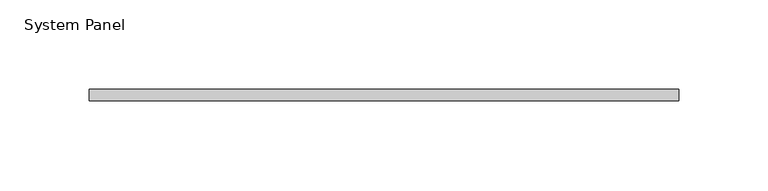
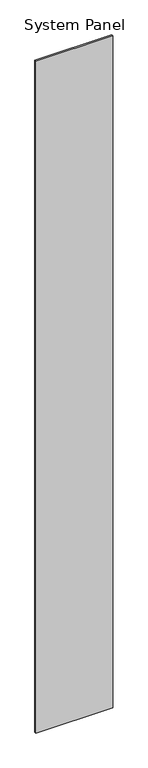
"""IFC4 building model written with IfcOpenShell, lengths in millimetres: plate geometry, System Panel."""

from ifc_helpers import new_model, si_unit, origin, origin_with_axes, place, context, project, spatial, polyline, outline, extrude, source, transform, mapped, element, save


def system_panel_5aa199de(model_context):
    return source(origin(), model_context, "Body", "SweptSolid", [
        extrude(outline(polyline([(165.0951187, 0.0), (-165.0951187, 0.0), (-165.0951187, 6.35), (165.0951187, 6.35), (165.0951187, 0.0)])), origin_with_axes(), (0.0, 0.0, 1.0), 3048.0),
    ])


if __name__ == "__main__":
    model = new_model("IFC4")
    model_context = context("Model", 3, world=origin())
    ifc_project = project(units=[si_unit("LENGTHUNIT", "METRE", prefix="MILLI")], contexts=[model_context])
    site = spatial("IfcSite", under=ifc_project)
    building = spatial("IfcBuilding", under=site)
    placement = place(None, origin())
    system_panel_shape = system_panel_5aa199de(model_context)
    element("IfcPlate", 1, ObjectType="System Panel", at=placement, inside=building, context=model_context, shape_type="MappedRepresentation", body=[
        mapped(system_panel_shape, transform((0.0, 0.0, 0.0), x_axis=(1.0, 0.0, 0.0), y_axis=(0.0, 1.0, 0.0), z_axis=(0.0, 0.0, 1.0))),
    ])
    save(model, "model.ifc")
